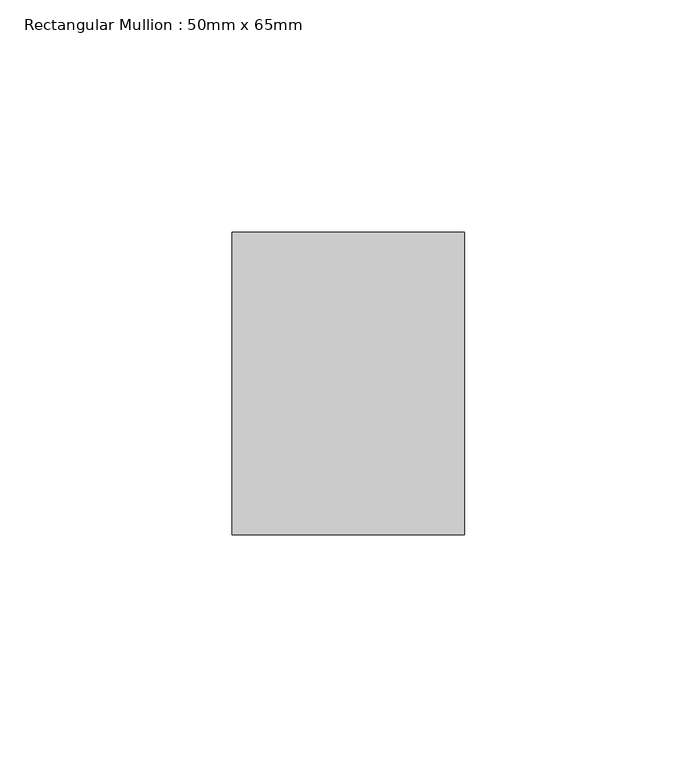
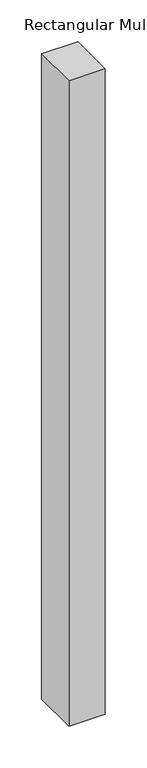
"""IFC4 building model written with IfcOpenShell, lengths in millimetres: member geometry, Rectangular Mullion : 50mm x 65mm."""

from ifc_helpers import new_model, si_unit, frame, origin, place, context, project, spatial, polyline, outline, extrude, source, transform, mapped, element, save


def rectangular_mullion_50mm_x_65mm_ce0cde9e(model_context):
    return source(origin(), model_context, "Body", "SweptSolid", [
        extrude(outline(polyline([(0.0, 32.5), (0.0, -32.5), (-50.0, -32.5), (-50.0, 32.5), (0.0, 32.5)])), frame((0.0, 0.0, -940.0), z_axis=(0.0, 0.0, 1.0), x_axis=(1.0, 0.0, 0.0)), (0.0, 0.0, 1.0), 940.0),
    ])


if __name__ == "__main__":
    model = new_model("IFC4")
    model_context = context("Model", 3, world=origin())
    ifc_project = project(units=[si_unit("LENGTHUNIT", "METRE", prefix="MILLI")], contexts=[model_context])
    site = spatial("IfcSite", under=ifc_project)
    building = spatial("IfcBuilding", under=site)
    placement = place(None, origin())
    rectangular_mullion_50mm_x_65mm_shape = rectangular_mullion_50mm_x_65mm_ce0cde9e(model_context)
    element("IfcMember", 1, ObjectType="Rectangular Mullion : 50mm x 65mm", at=placement, inside=building, context=model_context, shape_type="MappedRepresentation", body=[
        mapped(rectangular_mullion_50mm_x_65mm_shape, transform((0.0, 0.0, 0.0), x_axis=(1.0, 0.0, 0.0), y_axis=(0.0, 1.0, 0.0), z_axis=(0.0, 0.0, 1.0))),
    ])
    save(model, "model.ifc")
